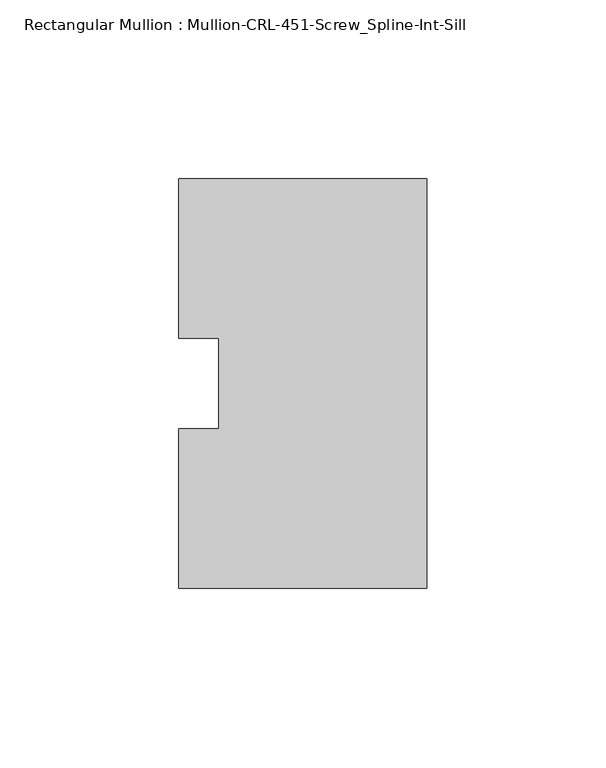
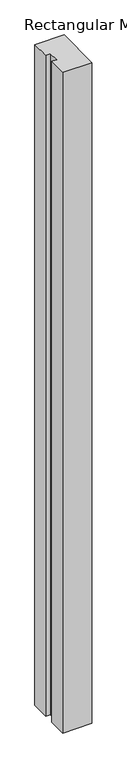
"""IFC4 building model written with IfcOpenShell, lengths in millimetres: member geometry, Rectangular Mullion : Mullion-CRL-451-Screw_Spline-Int-Sill."""

from ifc_helpers import new_model, si_unit, frame, origin, place, context, project, spatial, polyline, outline, extrude, source, transform, mapped, element, save


def rectangular_mullion_mullion_crl_451_screw_spline_int_sill_e0421d2c(model_context):
    return source(origin(), model_context, "Body", "SweptSolid", [
        extrude(outline(polyline([(0.0, -57.15), (-69.2658181, -57.15), (-69.2658181, -12.7), (-58.1533181, -12.7), (-58.1533181, 12.7), (-69.2658181, 12.7), (-69.2658181, 57.15), (0.0, 57.15), (0.0, -57.15)])), frame((0.0, 0.0, -1657.3498547), z_axis=(0.0, 0.0, 1.0), x_axis=(1.0, 0.0, 0.0)), (0.0, 0.0, 1.0), 1657.3498547),
    ])


if __name__ == "__main__":
    model = new_model("IFC4")
    model_context = context("Model", 3, world=origin())
    ifc_project = project(units=[si_unit("LENGTHUNIT", "METRE", prefix="MILLI")], contexts=[model_context])
    site = spatial("IfcSite", under=ifc_project)
    building = spatial("IfcBuilding", under=site)
    placement = place(None, origin())
    rectangular_mullion_mullion_crl_451_screw_spline_int_sill_shape = rectangular_mullion_mullion_crl_451_screw_spline_int_sill_e0421d2c(model_context)
    element("IfcMember", 1, ObjectType="Rectangular Mullion : Mullion-CRL-451-Screw_Spline-Int-Sill", at=placement, inside=building, context=model_context, shape_type="MappedRepresentation", body=[
        mapped(rectangular_mullion_mullion_crl_451_screw_spline_int_sill_shape, transform((0.0, 0.0, 0.0), x_axis=(1.0, 0.0, 0.0), y_axis=(0.0, 1.0, 0.0), z_axis=(0.0, 0.0, 1.0))),
    ])
    save(model, "model.ifc")
